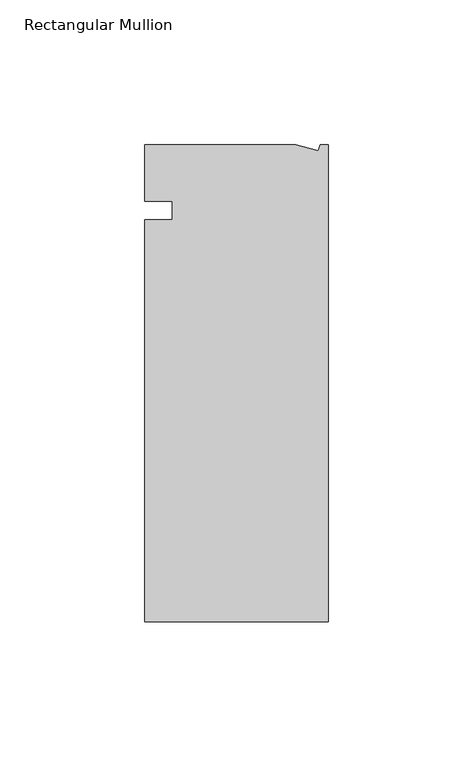
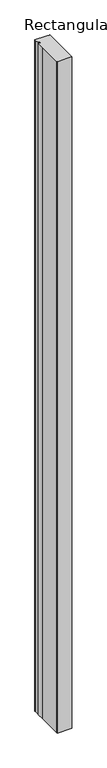
"""IFC4 building model written with IfcOpenShell, lengths in millimetres: member geometry, Rectangular Mullion."""

from ifc_helpers import new_model, si_unit, frame, origin, place, context, project, spatial, polyline, outline, extrude, source, transform, mapped, element, save


def rectangular_mullion_df298378(model_context):
    return source(origin(), model_context, "Body", "SweptSolid", [
        extrude(outline(polyline([(-11.1265412, 19.6597595), (-3.3457217, 17.5748952), (-2.787084, 19.6597595), (0.0, 19.6597595), (0.0, -145.4402405), (-63.5, -145.4402405), (-63.5, -139.0912527), (-63.5, -38.3358837), (-63.5, -6.35), (-53.975, -6.35), (-53.975, 0.0), (-63.5, 0.0), (-63.5, 13.6146679), (-63.5, 19.6597595), (-11.1265412, 19.6597595)])), frame((0.0, 0.0, -3048.0), z_axis=(0.0, 0.0, 1.0), x_axis=(1.0, 0.0, 0.0)), (0.0, 0.0, 1.0), 3048.0),
    ])


if __name__ == "__main__":
    model = new_model("IFC4")
    model_context = context("Model", 3, world=origin())
    ifc_project = project(units=[si_unit("LENGTHUNIT", "METRE", prefix="MILLI")], contexts=[model_context])
    site = spatial("IfcSite", under=ifc_project)
    building = spatial("IfcBuilding", under=site)
    placement = place(None, origin())
    rectangular_mullion_shape = rectangular_mullion_df298378(model_context)
    element("IfcMember", 1, ObjectType="Rectangular Mullion", at=placement, inside=building, context=model_context, shape_type="MappedRepresentation", body=[
        mapped(rectangular_mullion_shape, transform((0.0, 0.0, 0.0), x_axis=(1.0, 0.0, 0.0), y_axis=(0.0, 1.0, 0.0), z_axis=(0.0, 0.0, 1.0))),
    ])
    save(model, "model.ifc")
